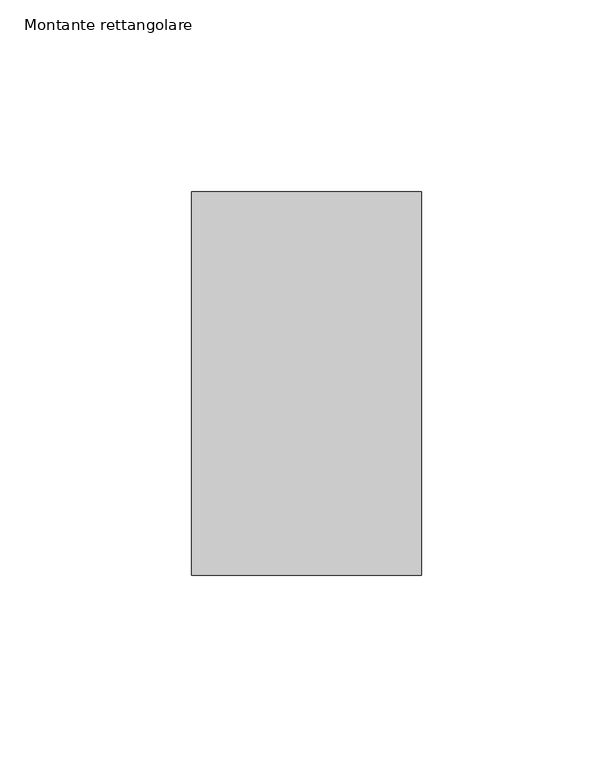
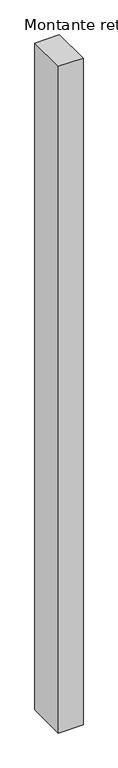
"""IFC4 building model written with IfcOpenShell, lengths in millimetres: member geometry, Montante rettangolare."""

from ifc_helpers import new_model, si_unit, frame, origin, place, context, project, spatial, polyline, outline, extrude, source, transform, mapped, element, save


def montante_rettangolare_77ce4c5d(model_context):
    return source(origin(), model_context, "Body", "SweptSolid", [
        extrude(outline(polyline([(0.0, 50.0), (0.0, -50.0), (-60.0, -50.0), (-60.0, 50.0), (0.0, 50.0)])), frame((0.0, 0.0, -1725.0), z_axis=(0.0, 0.0, 1.0), x_axis=(1.0, 0.0, 0.0)), (0.0, 0.0, 1.0), 1725.0),
    ])


if __name__ == "__main__":
    model = new_model("IFC4")
    model_context = context("Model", 3, world=origin())
    ifc_project = project(units=[si_unit("LENGTHUNIT", "METRE", prefix="MILLI")], contexts=[model_context])
    site = spatial("IfcSite", under=ifc_project)
    building = spatial("IfcBuilding", under=site)
    placement = place(None, origin())
    montante_rettangolare_shape = montante_rettangolare_77ce4c5d(model_context)
    element("IfcMember", 1, ObjectType="Montante rettangolare", at=placement, inside=building, context=model_context, shape_type="MappedRepresentation", body=[
        mapped(montante_rettangolare_shape, transform((0.0, 0.0, 0.0), x_axis=(1.0, 0.0, 0.0), y_axis=(0.0, 1.0, 0.0), z_axis=(0.0, 0.0, 1.0))),
    ])
    save(model, "model.ifc")
